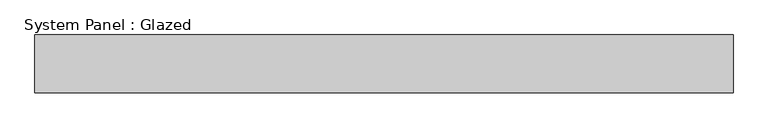
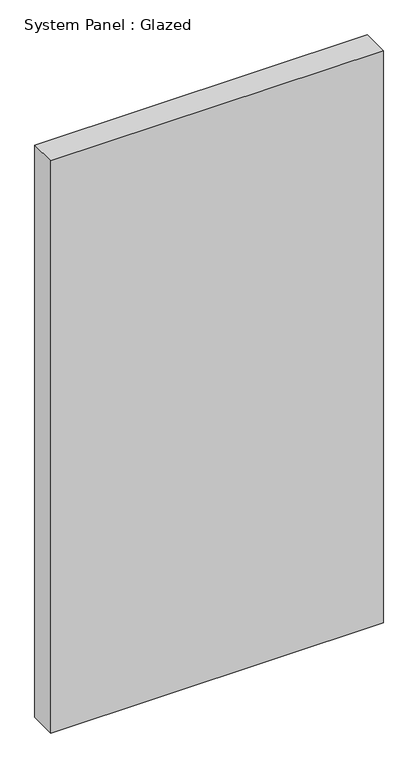
"""IFC4 building model written with IfcOpenShell, lengths in millimetres: plate geometry, System Panel : Glazed."""

import ifcopenshell
import ifcopenshell.guid

model = None  # the IFC model being written
_history = None  # IfcOwnerHistory: only IFC2X3 demands one
_inside = {}  # id of a spatial element -> (the spatial element, [elements in it])
_under = {}  # id of a project, library or spatial element -> (it, [spatial elements below it])
_declared = {}  # id of a project -> (the project, [libraries it declares])
_typed = {}  # id of a type object -> (the type object, [elements of that type])
_made_of = {}  # id of a material, layer set ... -> (it, [elements and type objects made of it])


def new_model(schema):
    """Start an empty IFC model of exactly this schema.

    Asked for "IFC4X3", IfcOpenShell would pick the latest addendum, in which some entities
    have other attributes; the version numbers below select the first issue.
    IFC2X3 requires an IfcOwnerHistory on every rooted entity: one is made here for all.
    """
    global model, _history
    if schema == "IFC4X3":
        model = ifcopenshell.file(schema_version=(4, 3, 0, 0))
    else:
        model = ifcopenshell.file(schema=schema)
    _inside.clear()
    _under.clear()
    _declared.clear()
    _typed.clear()
    _made_of.clear()
    _history = None
    if model.schema == "IFC2X3":
        org = make("IfcOrganization", Name="unknown")
        user = make(
            "IfcPersonAndOrganization",
            ThePerson=make("IfcPerson", FamilyName="unknown"),
            TheOrganization=org,
        )
        app = make(
            "IfcApplication",
            ApplicationDeveloper=org,
            Version="unknown",
            ApplicationFullName="unknown",
            ApplicationIdentifier="unknown",
        )
        _history = make(
            "IfcOwnerHistory",
            OwningUser=user,
            OwningApplication=app,
            ChangeAction="ADDED",
            CreationDate=0,
        )
    return model


def make(cls, **values):
    """One entity of the class cls with the attributes given. An attribute that is None is left unset."""
    return model.create_entity(
        cls, **{name: value for name, value in values.items() if value is not None}
    )


def rooted(cls, **values):
    """An entity with a GlobalId (a new one), such as an element, a storey or a relation."""
    return make(cls, GlobalId=ifcopenshell.guid.new(), OwnerHistory=_history, **values)


def si_unit(unit_type, name, prefix=None):
    """IfcSIUnit, for example si_unit("LENGTHUNIT", "METRE", prefix="MILLI")."""
    return make("IfcSIUnit", UnitType=unit_type, Prefix=prefix, Name=name)


def assignment(units):
    """IfcUnitAssignment: the units of a project."""
    return None if units is None else make("IfcUnitAssignment", Units=units)


def point(xyz):
    """IfcCartesianPoint."""
    return None if xyz is None else make("IfcCartesianPoint", Coordinates=xyz)


def direction(xyz):
    """IfcDirection."""
    return None if xyz is None else make("IfcDirection", DirectionRatios=xyz)


def frame(location, z_axis=None, x_axis=None):
    """IfcAxis2Placement3D, a coordinate frame: its origin and axes. An axis left out is left unset."""
    return make(
        "IfcAxis2Placement3D",
        Location=point(location),
        Axis=direction(z_axis),
        RefDirection=direction(x_axis),
    )


def origin():
    """The frame at (0, 0, 0) with its axes left unset."""
    return frame((0.0, 0.0, 0.0))


def origin_with_axes():
    """The frame at (0, 0, 0) with the z axis (0, 0, 1) and the x axis (1, 0, 0) written out."""
    return frame((0.0, 0.0, 0.0), z_axis=(0.0, 0.0, 1.0), x_axis=(1.0, 0.0, 0.0))


def place(relative_to, where):
    """IfcLocalPlacement: puts the frame where relative to a parent placement (None: the world)."""
    return make(
        "IfcLocalPlacement", PlacementRelTo=relative_to, RelativePlacement=where
    )


def context(
    kind, dimensions, precision=None, world=None, true_north=None, identifier=None
):
    """IfcGeometricRepresentationContext, for example the 3D "Model" context."""
    return make(
        "IfcGeometricRepresentationContext",
        ContextIdentifier=identifier,
        ContextType=kind,
        CoordinateSpaceDimension=dimensions,
        Precision=precision,
        WorldCoordinateSystem=world,
        TrueNorth=true_north,
    )


def project(units=None, contexts=None):
    """IfcProject with its units and contexts."""
    return rooted(
        "IfcProject",
        Name="project",
        RepresentationContexts=contexts,
        UnitsInContext=assignment(units),
    )


def spatial(cls, under=None, at=None, **own):
    """A site, building, storey or space (cls), placed at a placement, below another one or the project."""
    s = rooted(cls, ObjectPlacement=at, **own)
    if under is not None:
        _under.setdefault(under.id(), (under, []))[1].append(s)
    return s


def polyline(points):
    """IfcPolyline through the points."""
    return make("IfcPolyline", Points=[point(p) for p in points])


def outline(outer, holes=None, kind="AREA"):
    """IfcArbitraryClosedProfileDef: a profile drawn as a closed curve; with holes, ...WithVoids."""
    if holes is None:
        return make("IfcArbitraryClosedProfileDef", ProfileType=kind, OuterCurve=outer)
    return make(
        "IfcArbitraryProfileDefWithVoids",
        ProfileType=kind,
        OuterCurve=outer,
        InnerCurves=holes,
    )


def extrude(swept, where, along, depth):
    """IfcExtrudedAreaSolid: the profile swept, set in the frame where, extruded along a direction by depth."""
    return make(
        "IfcExtrudedAreaSolid",
        SweptArea=swept,
        Position=where,
        ExtrudedDirection=direction(along),
        Depth=depth,
    )


def shape(context_of_items, identifier, shape_type, items):
    """IfcShapeRepresentation: the items that make up one representation, for example the "Body"."""
    return make(
        "IfcShapeRepresentation",
        ContextOfItems=context_of_items,
        RepresentationIdentifier=identifier,
        RepresentationType=shape_type,
        Items=items,
    )


def source(mapping_origin, context_of_items, identifier, shape_type, items):
    """IfcRepresentationMap: a shape defined once, which mapped items show again and again."""
    return make(
        "IfcRepresentationMap",
        MappingOrigin=mapping_origin,
        MappedRepresentation=shape(context_of_items, identifier, shape_type, items),
    )


def transform(
    local_origin,
    x_axis=None,
    y_axis=None,
    z_axis=None,
    scale=None,
    scale2=None,
    scale3=None,
    uniform=True,
):
    """IfcCartesianTransformationOperator3D, or its non-uniform kind. x_axis, y_axis, z_axis: its Axis1, 2, 3."""
    if uniform:
        return make(
            "IfcCartesianTransformationOperator3D",
            Axis1=direction(x_axis),
            Axis2=direction(y_axis),
            LocalOrigin=point(local_origin),
            Scale=scale,
            Axis3=direction(z_axis),
        )
    return make(
        "IfcCartesianTransformationOperator3DnonUniform",
        Axis1=direction(x_axis),
        Axis2=direction(y_axis),
        LocalOrigin=point(local_origin),
        Scale=scale,
        Axis3=direction(z_axis),
        Scale2=scale2,
        Scale3=scale3,
    )


def mapped(mapping_source, mapping_target):
    """IfcMappedItem: shows the shape of a source again, moved by a transform."""
    return make(
        "IfcMappedItem", MappingSource=mapping_source, MappingTarget=mapping_target
    )


def made_of(thing, what):
    """Note that an element or type object is made of a material, layer set ...; save() writes the relation."""
    if what is not None:
        _made_of.setdefault(what.id(), (what, []))[1].append(thing)
    return thing


def element(
    cls,
    number,
    at=None,
    inside=None,
    cuts=None,
    type_object=None,
    material=None,
    context=None,
    identifier="Body",
    shape_type=None,
    held_by="IfcProductDefinitionShape",
    body=None,
    shapes=None,
    **own,
):
    """One element of the class cls, such as IfcWall. Its Tag is "e" and its number.

    at: its placement. inside: the storey or other place that contains it. cuts: it is an
    opening in that element (IfcRelVoidsElement). A single representation is given by context,
    identifier, shape_type and body (its items); several are given by shapes. held_by: the class
    of the entity that holds the representations. save() writes the other relations.
    """
    e = rooted(cls, Tag="e%d" % number, ObjectPlacement=at, **own)
    if body is not None:
        shapes = [shape(context, identifier, shape_type, body)]
    if shapes is not None:
        e.Representation = make(held_by, Representations=shapes)
    if inside is not None:
        _inside.setdefault(inside.id(), (inside, []))[1].append(e)
    if cuts is not None:
        rooted(
            "IfcRelVoidsElement", RelatingBuildingElement=cuts, RelatedOpeningElement=e
        )
    if type_object is not None:
        _typed.setdefault(type_object.id(), (type_object, []))[1].append(e)
    return made_of(e, material)


def aggregate(whole, parts):
    """IfcRelAggregates: a whole, such as a stair, and the parts it consists of."""
    return rooted("IfcRelAggregates", RelatingObject=whole, RelatedObjects=parts)


def save(model, path):
    """Write the relations noted so far, then the file.

    IfcRelAggregates (storeys below a building ...), IfcRelContainedInSpatialStructure (elements
    in a storey), IfcRelDefinesByType, IfcRelAssociatesMaterial and IfcRelDeclares: one each for
    every whole, place, type object, material and project.
    """
    for whole, parts in _under.values():
        aggregate(whole, parts)
    for where, things in _inside.values():
        rooted(
            "IfcRelContainedInSpatialStructure",
            RelatedElements=things,
            RelatingStructure=where,
        )
    for kind, things in _typed.values():
        rooted("IfcRelDefinesByType", RelatedObjects=things, RelatingType=kind)
    for what, things in _made_of.values():
        rooted("IfcRelAssociatesMaterial", RelatedObjects=things, RelatingMaterial=what)
    for by, libraries in _declared.values():
        rooted("IfcRelDeclares", RelatingContext=by, RelatedDefinitions=libraries)
    model.write(path)


def system_panel_glazed_9dbdd64d(model_context):
    return source(origin(), model_context, "Body", "SweptSolid", [
        extrude(outline(polyline([(605.0, 50.0), (-605.0, 50.0), (-605.0, 150.0), (605.0, 150.0), (605.0, 50.0)])), origin_with_axes(), (0.0, 0.0, 1.0), 2200.0),
    ])


if __name__ == "__main__":
    model = new_model("IFC4")
    model_context = context("Model", 3, world=origin())
    ifc_project = project(units=[si_unit("LENGTHUNIT", "METRE", prefix="MILLI")], contexts=[model_context])
    site = spatial("IfcSite", under=ifc_project)
    building = spatial("IfcBuilding", under=site)
    placement = place(None, origin())
    system_panel_glazed_shape = system_panel_glazed_9dbdd64d(model_context)
    element("IfcPlate", 1, ObjectType="System Panel : Glazed", at=placement, inside=building, context=model_context, shape_type="MappedRepresentation", body=[
        mapped(system_panel_glazed_shape, transform((0.0, 0.0, 0.0), x_axis=(1.0, 0.0, 0.0), y_axis=(0.0, 1.0, 0.0), z_axis=(0.0, 0.0, 1.0))),
    ])
    save(model, "model.ifc")
